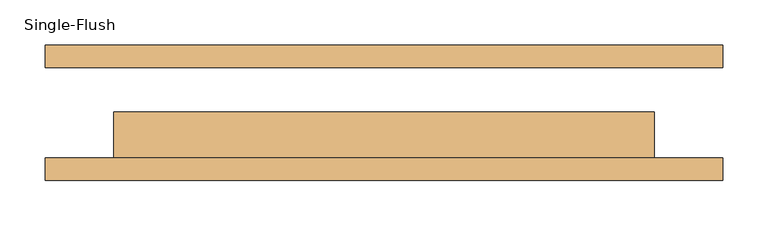
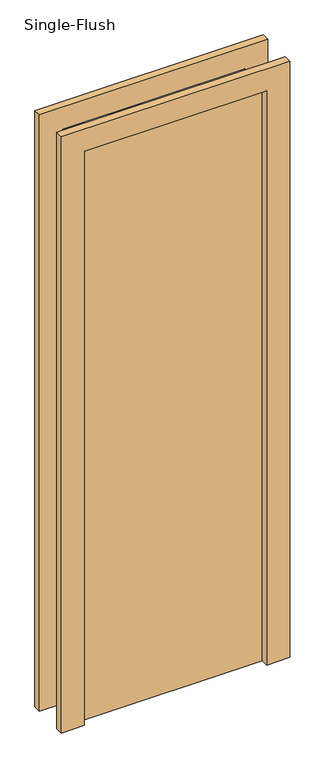
"""IFC4 building model written with IfcOpenShell, lengths in millimetres: door geometry, Single-Flush."""

from ifc_helpers import new_model, si_unit, frame, origin, origin_with_axes, place, context, project, spatial, polyline, outline, extrude, source, transform, mapped, element, save


def single_flush_a17e2e4d(model_context):
    return source(origin(), model_context, "Body", "SweptSolid", [
        extrude(outline(polyline([(2076.2, -376.2), (0.0, -376.2), (0.0, -300.0), (2000.0, -300.0), (2000.0, 300.0), (0.0, 300.0), (0.0, 376.2), (2076.2, 376.2), (2076.2, -376.2)])), frame((0.0, -75.4, 0.0), z_axis=(0.0, 1.0, 0.0), x_axis=(0.0, 0.0, 1.0)), (0.0, 0.0, 1.0), 25.4),
        extrude(outline(polyline([(2076.2, 376.2), (2076.2, -376.2), (0.0, -376.2), (0.0, -300.0), (2000.0, -300.0), (2000.0, 300.0), (0.0, 300.0), (0.0, 376.2), (2076.2, 376.2)])), frame((0.0, 50.0, 0.0), z_axis=(0.0, 1.0, 0.0), x_axis=(0.0, 0.0, 1.0)), (0.0, 0.0, 1.0), 25.4),
        extrude(outline(polyline([(300.0, 0.8), (300.0, -50.0), (-300.0, -50.0), (-300.0, 0.8), (300.0, 0.8)])), origin_with_axes(), (0.0, 0.0, 1.0), 2000.0),
    ])


if __name__ == "__main__":
    model = new_model("IFC4")
    model_context = context("Model", 3, world=origin())
    ifc_project = project(units=[si_unit("LENGTHUNIT", "METRE", prefix="MILLI")], contexts=[model_context])
    site = spatial("IfcSite", under=ifc_project)
    building = spatial("IfcBuilding", under=site)
    placement = place(None, origin())
    single_flush_shape = single_flush_a17e2e4d(model_context)
    element("IfcDoor", 1, ObjectType="Single-Flush", at=placement, inside=building, context=model_context, shape_type="MappedRepresentation", body=[
        mapped(single_flush_shape, transform((0.0, 0.0, 0.0), x_axis=(1.0, 0.0, 0.0), y_axis=(0.0, 1.0, 0.0), z_axis=(0.0, 0.0, 1.0))),
    ])
    save(model, "model.ifc")
